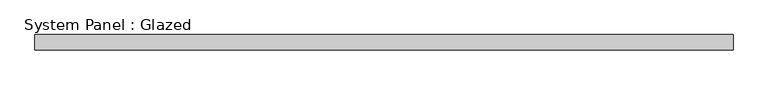
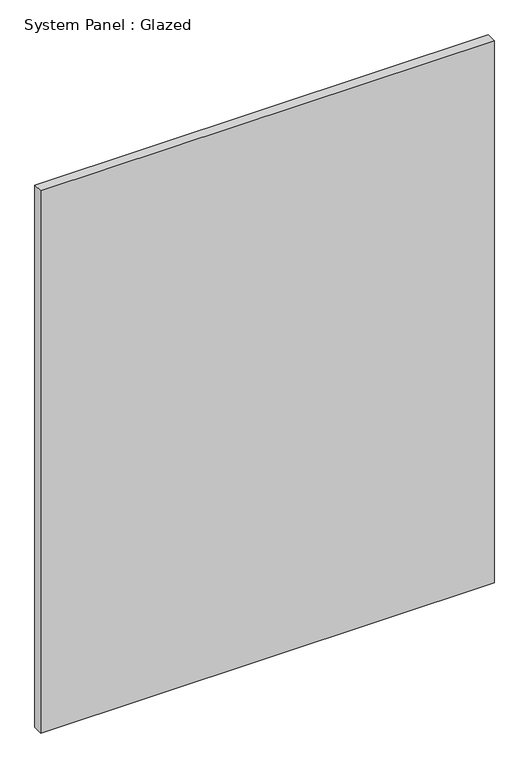
"""IFC4 building model written with IfcOpenShell, lengths in millimetres: plate geometry, System Panel : Glazed."""

from ifc_helpers import new_model, si_unit, origin, origin_with_axes, place, context, project, spatial, polyline, outline, extrude, source, transform, mapped, element, save


def system_panel_glazed_8adfc523(model_context):
    return source(origin(), model_context, "Body", "SweptSolid", [
        extrude(outline(polyline([(576.2625, -12.5), (-576.2625, -12.5), (-576.2625, 12.5), (576.2625, 12.5), (576.2625, -12.5)])), origin_with_axes(), (0.0, 0.0, 1.0), 1457.325),
    ])


if __name__ == "__main__":
    model = new_model("IFC4")
    model_context = context("Model", 3, world=origin())
    ifc_project = project(units=[si_unit("LENGTHUNIT", "METRE", prefix="MILLI")], contexts=[model_context])
    site = spatial("IfcSite", under=ifc_project)
    building = spatial("IfcBuilding", under=site)
    placement = place(None, origin())
    system_panel_glazed_shape = system_panel_glazed_8adfc523(model_context)
    element("IfcPlate", 1, ObjectType="System Panel : Glazed", at=placement, inside=building, context=model_context, shape_type="MappedRepresentation", body=[
        mapped(system_panel_glazed_shape, transform((0.0, 0.0, 0.0), x_axis=(1.0, 0.0, 0.0), y_axis=(0.0, 1.0, 0.0), z_axis=(0.0, 0.0, 1.0))),
    ])
    save(model, "model.ifc")
